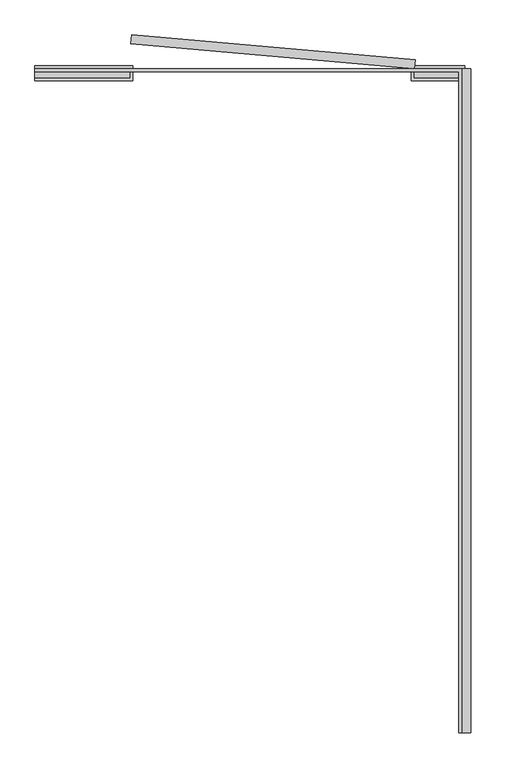
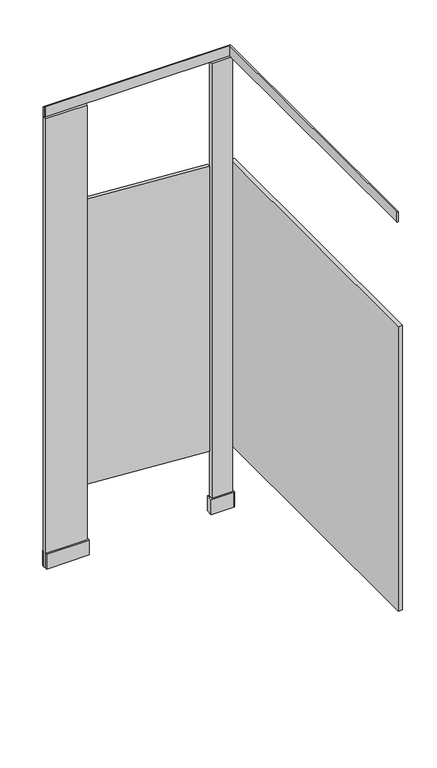
"""IFC4 building model written with IfcOpenShell, lengths in millimetres: proxy geometry."""

from ifc_helpers import new_model, si_unit, frame, origin, origin_with_axes, place, context, project, spatial, polyline, outline, extrude, source, transform, mapped, element, save


def generic_models_93ed1b42(model_context):
    return source(origin(), model_context, "Body", "SweptSolid", [
        extrude(outline(polyline([(443.65, 55.0), (443.65, 61.35), (443.65, 1448.65), (-443.65, 1448.65), (-450.0, 1448.65), (-450.0, 1455.0), (450.0, 1455.0), (450.0, 55.0), (443.65, 55.0)])), frame((0.0, 0.0, 2286.0), z_axis=(0.0, 0.0, 1.0), x_axis=(1.0, 0.0, 0.0)), (0.0, 0.0, 1.0), 50.8),
        extrude(outline(polyline([(-250.0, 1455.0), (-450.0, 1455.0), (-450.0, 1461.35), (-243.65, 1461.35), (-243.65, 1455.0), (-243.65, 1435.95), (-243.65, 1429.6), (-450.0, 1429.6), (-450.0, 1435.95), (-250.0, 1435.95), (-250.0, 1455.0)])), origin_with_axes(), (0.0, 0.0, 1.0), 76.2),
        extrude(outline(polyline([(350.0, 1461.35), (450.0, 1461.35), (456.35, 1461.35), (456.35, 1429.6), (450.0, 1429.6), (343.65, 1429.6), (343.65, 1461.35), (350.0, 1461.35)]), holes=[polyline([(350.0, 1455.0), (350.0, 1435.95), (450.0, 1435.95), (450.0, 1455.0), (350.0, 1455.0)])]), origin_with_axes(), (0.0, 0.0, 1.0), 76.2),
        extrude(outline(polyline([(-246.056502, 1526.2709546), (351.6603169, 1473.977509), (350.0, 1455.0), (-247.7168189, 1507.2934456), (-246.056502, 1526.2709546)])), frame((0.0, 0.0, 304.8), z_axis=(0.0, 0.0, 1.0), x_axis=(1.0, 0.0, 0.0)), (0.0, 0.0, 1.0), 1447.8),
        extrude(outline(polyline([(450.0, 1435.95), (350.0, 1435.95), (350.0, 1455.0), (450.0, 1455.0), (450.0, 1435.95)])), origin_with_axes(), (0.0, 0.0, 1.0), 2286.0),
        extrude(outline(polyline([(-250.0, 1435.95), (-450.0, 1435.95), (-450.0, 1455.0), (-250.0, 1455.0), (-250.0, 1435.95)])), origin_with_axes(), (0.0, 0.0, 1.0), 2286.0),
        extrude(outline(polyline([(469.05, 1455.0), (469.05, 55.0), (450.0, 55.0), (450.0, 1455.0), (469.05, 1455.0)])), frame((0.0, 0.0, 304.8), z_axis=(0.0, 0.0, 1.0), x_axis=(1.0, 0.0, 0.0)), (0.0, 0.0, 1.0), 1447.8),
    ])


if __name__ == "__main__":
    model = new_model("IFC4")
    model_context = context("Model", 3, world=origin())
    ifc_project = project(units=[si_unit("LENGTHUNIT", "METRE", prefix="MILLI")], contexts=[model_context])
    site = spatial("IfcSite", under=ifc_project)
    building = spatial("IfcBuilding", under=site)
    placement = place(None, origin())
    generic_models_shape = generic_models_93ed1b42(model_context)
    element("IfcBuildingElementProxy", 1, Name="Generic Models", at=placement, inside=building, context=model_context, shape_type="MappedRepresentation", body=[
        mapped(generic_models_shape, transform((0.0, 0.0, 0.0), x_axis=(1.0, 0.0, 0.0), y_axis=(0.0, 1.0, 0.0), z_axis=(0.0, 0.0, 1.0))),
    ])
    save(model, "model.ifc")
